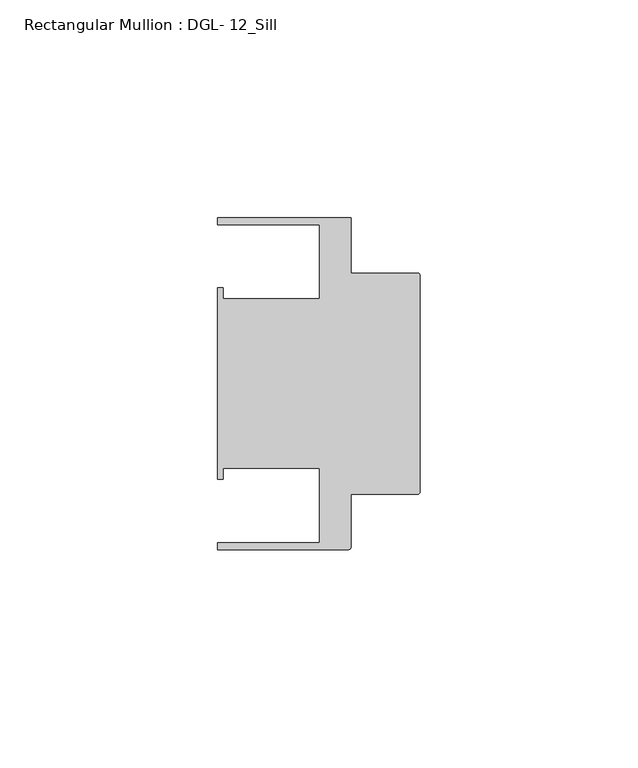
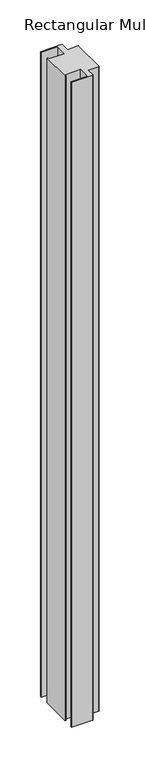
"""IFC4 building model written with IfcOpenShell, lengths in millimetres: member geometry, Rectangular Mullion : DGL- 12_Sill."""

from ifc_helpers import new_model, si_unit, point, frame, frame_2d, origin, place, context, project, spatial, polyline, circle_curve, trimmed, segment, composite_curve, outline, extrude, source, transform, mapped, element, save


def rectangular_mullion_dgl_12_sill_aa44d766(model_context):
    return source(origin(), model_context, "Body", "SweptSolid", [
        extrude(outline(composite_curve([segment(trimmed(circle_curve(frame_2d((-0.5953125, 24.8046875)), 0.5953125), [point((-0.5953125, 25.4))], [point((0.0, 24.8046875))], False, "CARTESIAN"), True, "CONTINUOUS"), segment(polyline([(0.0, 24.8046875), (0.0, -24.8046875)]), True, "CONTINUOUS"), segment(trimmed(circle_curve(frame_2d((-0.5953125, -24.8046875)), 0.5953125), [point((0.0, -24.8046875))], [point((-0.5953125, -25.4))], False, "CARTESIAN"), True, "CONTINUOUS"), segment(polyline([(-0.5953125, -25.4), (-15.8750672, -25.4), (-15.8750672, -37.5047035)]), True, "CONTINUOUS"), segment(trimmed(circle_curve(frame_2d((-16.4703797, -37.5047035)), 0.5953125), [point((-15.8750672, -37.5047035))], [point((-16.4703797, -38.100016))], False, "CARTESIAN"), True, "CONTINUOUS"), segment(polyline([(-16.4703797, -38.100016), (-46.54296, -38.100016), (-46.54296, -36.512516), (-23.1202791, -36.512516), (-23.1202791, -19.4824275), (-45.2865266, -19.4824275), (-45.2865266, -21.9710976), (-46.54296, -21.9710976), (-46.54296, 21.9710976), (-45.2865266, 21.9710976), (-45.2865266, 19.4824275), (-23.1202791, 19.4824275), (-23.1202791, 36.512516), (-46.54296, 36.512516), (-46.54296, 38.0996792), (-15.8750672, 38.0996792), (-15.8750672, 25.4), (-0.5953125, 25.4)]), True, "CONTINUOUS")], self_intersect=False)), frame((0.0, 0.0, -966.9368053), z_axis=(0.0, 0.0, 1.0), x_axis=(1.0, 0.0, 0.0)), (0.0, 0.0, 1.0), 966.9368053),
    ])


if __name__ == "__main__":
    model = new_model("IFC4")
    model_context = context("Model", 3, world=origin())
    ifc_project = project(units=[si_unit("LENGTHUNIT", "METRE", prefix="MILLI")], contexts=[model_context])
    site = spatial("IfcSite", under=ifc_project)
    building = spatial("IfcBuilding", under=site)
    placement = place(None, origin())
    rectangular_mullion_dgl_12_sill_shape = rectangular_mullion_dgl_12_sill_aa44d766(model_context)
    element("IfcMember", 1, ObjectType="Rectangular Mullion : DGL- 12_Sill", at=placement, inside=building, context=model_context, shape_type="MappedRepresentation", body=[
        mapped(rectangular_mullion_dgl_12_sill_shape, transform((0.0, 0.0, 0.0), x_axis=(1.0, 0.0, 0.0), y_axis=(0.0, 1.0, 0.0), z_axis=(0.0, 0.0, 1.0))),
    ])
    save(model, "model.ifc")
